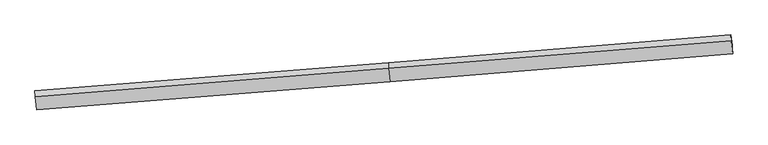
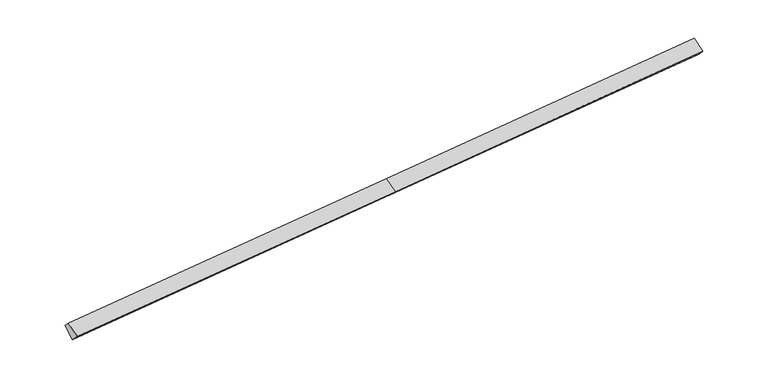
"""IFC4 building model written with IfcOpenShell, lengths in millimetres: proxy geometry."""

from ifc_helpers import new_model, si_unit, origin, place, context, project, spatial, faceted_brep, source, transform, mapped, element, save


def generic_models_9c8caa11(model_context):
    return source(origin(), model_context, "Body", "Brep", [
        faceted_brep([(-17067.4172762, -2673.8613635, 989.5330539), (-17062.5389313, -2950.6559703, 1277.5653465), (151.5409522, -1575.6293809, 2314.3283821), (146.6626073, -1298.8347741, 2026.2960895), (-16997.1439454, -3180.5348951, 501.4373711), (216.9359381, -1805.5083057, 1538.2004067), (-16994.4575094, -3332.9617928, 660.0527043), (219.622374, -1957.9352034, 1696.8157399), (-16989.728114, -3601.3050903, 939.2905698), (224.3517695, -2226.2785009, 1976.0536054), (16879.9714058, -613.6486631, 2699.5464551), (16877.2849699, -461.2217654, 2540.9311219), (16807.0116391, 45.4517662, 3029.0268048), (16811.889984, -231.3428406, 3317.0590973), (16884.7008013, -881.9919606, 2978.7843206)], [[[0, 1, 2, 3]], [[4, 0, 5]], [[6, 4, 5, 7]], [[8, 6, 7, 9]], [[1, 8, 9, 2]], [[10, 11, 12, 13, 14]], [[1, 0, 4, 6, 8]], [[3, 5, 0]], [[7, 5, 11, 10]], [[5, 3, 12, 11]], [[3, 2, 13, 12]], [[2, 9, 14, 13]], [[9, 7, 10, 14]]]),
    ])


if __name__ == "__main__":
    model = new_model("IFC4")
    model_context = context("Model", 3, world=origin())
    ifc_project = project(units=[si_unit("LENGTHUNIT", "METRE", prefix="MILLI")], contexts=[model_context])
    site = spatial("IfcSite", under=ifc_project)
    building = spatial("IfcBuilding", under=site)
    placement = place(None, origin())
    generic_models_shape = generic_models_9c8caa11(model_context)
    element("IfcBuildingElementProxy", 1, Name="Generic Models", at=placement, inside=building, context=model_context, shape_type="MappedRepresentation", body=[
        mapped(generic_models_shape, transform((0.0, 0.0, 0.0), x_axis=(1.0, 0.0, 0.0), y_axis=(0.0, 1.0, 0.0), z_axis=(0.0, 0.0, 1.0))),
    ])
    save(model, "model.ifc")
